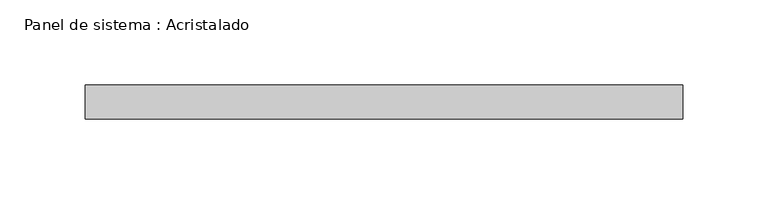
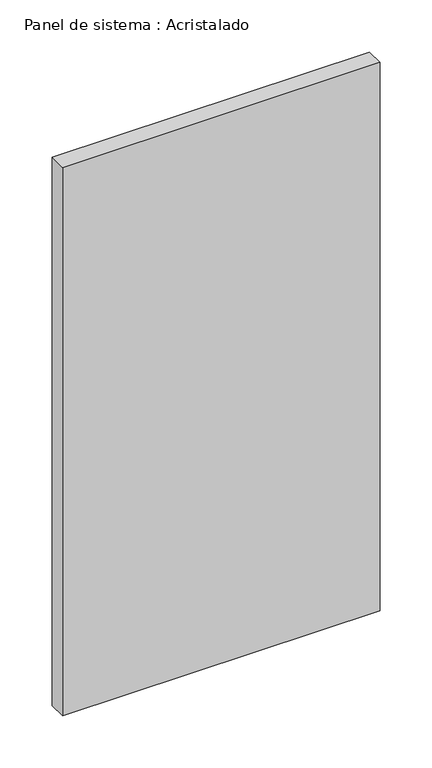
"""IFC4 building model written with IfcOpenShell, lengths in millimetres: plate geometry, Panel de sistema : Acristalado."""

from ifc_helpers import new_model, si_unit, origin, origin_with_axes, place, context, project, spatial, polyline, outline, extrude, source, transform, mapped, element, save


def panel_de_sistema_acristalado_edca89a0(model_context):
    return source(origin(), model_context, "Body", "SweptSolid", [
        extrude(outline(polyline([(175.8333333, -10.0), (-175.8333333, -10.0), (-175.8333333, 10.0), (175.8333333, 10.0), (175.8333333, -10.0)])), origin_with_axes(), (0.0, 0.0, 1.0), 642.1037779),
    ])


if __name__ == "__main__":
    model = new_model("IFC4")
    model_context = context("Model", 3, world=origin())
    ifc_project = project(units=[si_unit("LENGTHUNIT", "METRE", prefix="MILLI")], contexts=[model_context])
    site = spatial("IfcSite", under=ifc_project)
    building = spatial("IfcBuilding", under=site)
    placement = place(None, origin())
    panel_de_sistema_acristalado_shape = panel_de_sistema_acristalado_edca89a0(model_context)
    element("IfcPlate", 1, ObjectType="Panel de sistema : Acristalado", at=placement, inside=building, context=model_context, shape_type="MappedRepresentation", body=[
        mapped(panel_de_sistema_acristalado_shape, transform((0.0, 0.0, 0.0), x_axis=(1.0, 0.0, 0.0), y_axis=(0.0, 1.0, 0.0), z_axis=(0.0, 0.0, 1.0))),
    ])
    save(model, "model.ifc")
